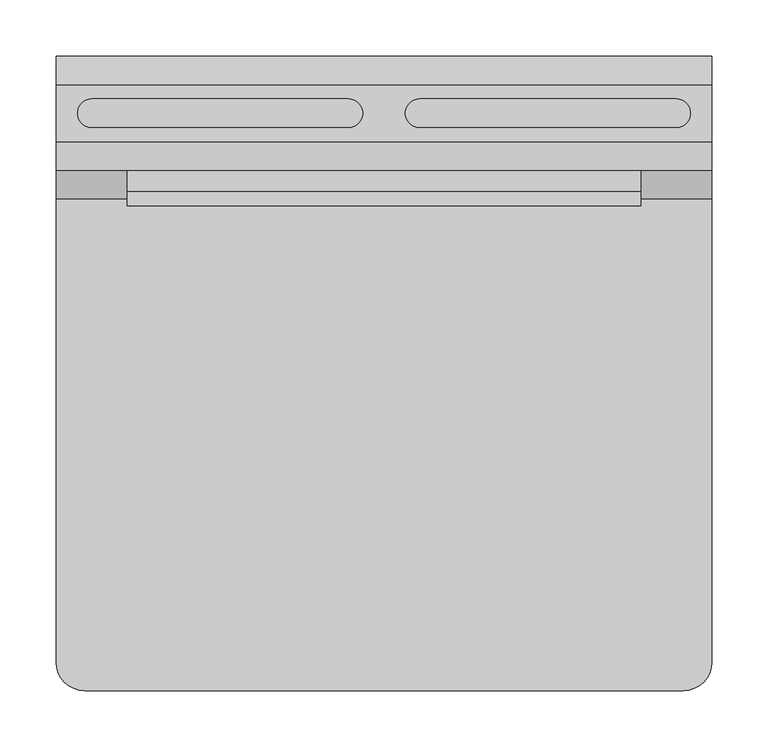
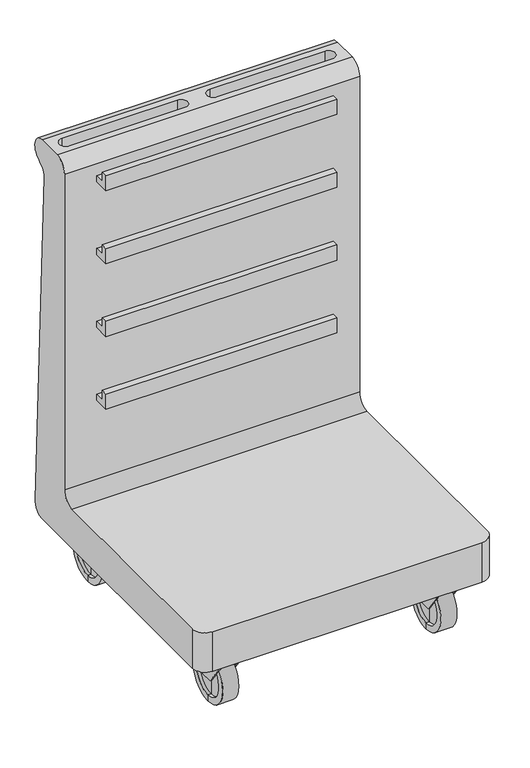
"""IFC4 building model written with IfcOpenShell, lengths in millimetres: furniture geometry."""

from ifc_helpers import new_model, si_unit, frame, origin, place, context, project, spatial, polyline, circle_curve, outline, extrude, faceted_brep, source, transform, mapped, element, save
from ifc_brep_helpers import plane_surface, cylinder_surface, revolved_surface, advanced_brep


def furniture_545f82d3(model_context):
    return source(origin(), model_context, "Body", "SolidModel", [
        advanced_brep(
        [(-231.775, 206.375, 0.0), (-231.775, 206.375, 101.6), (-200.025, 206.375, 101.6), (-200.025, 206.375, 0.0), (-231.775, 206.375, 12.7), (-231.775, 206.375, 88.9), (-225.425, 206.375, 12.7), (-225.425, 206.375, 88.9), (-225.425, 206.375, 50.8), (-206.375, 206.375, 12.7), (-206.375, 206.375, 88.9), (-206.375, 206.375, 50.8), (-200.025, 206.375, 12.7), (-200.025, 206.375, 88.9)],
        [
            (0, 1, circle_curve(frame((-231.775, 206.375, 50.8), z_axis=(1.0, 0.0, 0.0), x_axis=(0.0, 0.0, 1.0)), 50.8)),
            (1, 2),
            (2, 3, circle_curve(frame((-200.025, 206.375, 50.8), z_axis=(-1.0, 0.0, 0.0), x_axis=(0.0, 0.0, 1.0)), 50.8)),
            (3, 0),
            (1, 0, circle_curve(frame((-231.775, 206.375, 50.8), z_axis=(1.0, 0.0, 0.0), x_axis=(0.0, 0.0, 1.0)), 50.8)),
            (3, 2, circle_curve(frame((-200.025, 206.375, 50.8), z_axis=(-1.0, 0.0, 0.0), x_axis=(0.0, 0.0, 1.0)), 50.8)),
            (4, 5, circle_curve(frame((-231.775, 206.375, 50.8), z_axis=(1.0, 0.0, 0.0), x_axis=(0.0, 0.0, 1.0)), 38.1)),
            (5, 1),
            (0, 4),
            (5, 4, circle_curve(frame((-231.775, 206.375, 50.8), z_axis=(1.0, 0.0, 0.0), x_axis=(0.0, 0.0, 1.0)), 38.1)),
            (6, 7, circle_curve(frame((-225.425, 206.375, 50.8), z_axis=(1.0, 0.0, 0.0), x_axis=(0.0, 0.0, 1.0)), 38.1)),
            (7, 5),
            (4, 6),
            (7, 6, circle_curve(frame((-225.425, 206.375, 50.8), z_axis=(1.0, 0.0, 0.0), x_axis=(0.0, 0.0, 1.0)), 38.1)),
            (8, 7),
            (6, 8),
            (9, 10, circle_curve(frame((-206.375, 206.375, 50.8), z_axis=(1.0, 0.0, 0.0), x_axis=(0.0, 0.0, 1.0)), 38.1)),
            (10, 11),
            (11, 9),
            (10, 9, circle_curve(frame((-206.375, 206.375, 50.8), z_axis=(1.0, 0.0, 0.0), x_axis=(0.0, 0.0, 1.0)), 38.1)),
            (12, 13, circle_curve(frame((-200.025, 206.375, 50.8), z_axis=(1.0, 0.0, 0.0), x_axis=(0.0, 0.0, 1.0)), 38.1)),
            (13, 10),
            (9, 12),
            (13, 12, circle_curve(frame((-200.025, 206.375, 50.8), z_axis=(1.0, 0.0, 0.0), x_axis=(0.0, 0.0, 1.0)), 38.1)),
            (2, 13),
            (12, 3),
        ],
        [
            cylinder_surface(frame((-234.95, 206.375, 50.8), z_axis=(-1.0, 0.0, 0.0), x_axis=(0.0, 0.0, 1.0)), 50.8),
            plane_surface(frame((-231.775, 206.375, 50.8), z_axis=(-1.0, 0.0, 0.0), x_axis=(0.0, 0.0, 1.0))),
            revolved_surface(polyline([(-231.775, 206.375, 88.9), (-225.425, 206.375, 88.9)]), (-234.95, 206.375, 50.8), (-1.0, 0.0, 0.0)),
            plane_surface(frame((-225.425, 206.375, 50.8), z_axis=(-1.0, 0.0, 0.0), x_axis=(0.0, 0.0, 1.0))),
            plane_surface(frame((-206.375, 206.375, 50.8), z_axis=(1.0, 0.0, 0.0), x_axis=(0.0, 0.0, 1.0))),
            revolved_surface(polyline([(-206.375, 206.375, 88.9), (-200.025, 206.375, 88.9)]), (-234.95, 206.375, 50.8), (-1.0, 0.0, 0.0)),
            plane_surface(frame((-200.025, 206.375, 50.8), z_axis=(1.0, 0.0, 0.0), x_axis=(0.0, 0.0, 1.0))),
        ],
        [
            (0, [[1, 2, 3, 4]]),
            (0, [[5, -4, 6, -2]]),
            (1, [[7, 8, -1, 9]]),
            (1, [[10, -9, -5, -8]]),
            (2, [[11, 12, -7, 13]]),
            (2, [[14, -13, -10, -12]]),
            (3, [[15, -11, 16]]),
            (3, [[-16, -14, -15]]),
            (4, [[17, 18, 19]]),
            (4, [[20, -19, -18]]),
            (5, [[21, 22, -17, 23]]),
            (5, [[24, -23, -20, -22]]),
            (6, [[-3, 25, -21, 26]]),
            (6, [[-6, -26, -24, -25]]),
        ],
    ),
        faceted_brep([(-196.85, 219.075, 120.65), (-196.85, 219.075, 50.8), (-200.025, 219.075, 50.8), (-200.025, 219.075, 117.475), (-231.775, 219.075, 117.475), (-231.775, 219.075, 50.8), (-234.95, 219.075, 50.8), (-234.95, 219.075, 120.65), (-234.95, 142.875, 120.65), (-196.85, 142.875, 120.65), (-234.95, 193.675, 50.8), (-231.775, 193.675, 50.8), (-231.775, 145.1840909, 117.475), (-200.025, 145.1840909, 117.475), (-200.025, 193.675, 50.8), (-196.85, 193.675, 50.8)], [[[0, 1, 2, 3, 4, 5, 6, 7]], [[0, 7, 8, 9]], [[7, 6, 10, 8]], [[6, 5, 11, 10]], [[5, 4, 12, 11]], [[4, 3, 13, 12]], [[3, 2, 14, 13]], [[2, 1, 15, 14]], [[1, 0, 9, 15]], [[9, 8, 10, 11, 12, 13, 14, 15]]]),
        advanced_brep(
        [(200.025, 206.375, 0.0), (200.025, 206.375, 101.6), (231.775, 206.375, 101.6), (231.775, 206.375, 0.0), (200.025, 206.375, 12.7), (200.025, 206.375, 88.9), (206.375, 206.375, 12.7), (206.375, 206.375, 88.9), (206.375, 206.375, 50.8), (225.425, 206.375, 12.7), (225.425, 206.375, 88.9), (225.425, 206.375, 50.8), (231.775, 206.375, 12.7), (231.775, 206.375, 88.9)],
        [
            (0, 1, circle_curve(frame((200.025, 206.375, 50.8), z_axis=(1.0, 0.0, 0.0), x_axis=(0.0, 0.0, 1.0)), 50.8)),
            (1, 2),
            (2, 3, circle_curve(frame((231.775, 206.375, 50.8), z_axis=(-1.0, 0.0, 0.0), x_axis=(0.0, 0.0, 1.0)), 50.8)),
            (3, 0),
            (1, 0, circle_curve(frame((200.025, 206.375, 50.8), z_axis=(1.0, 0.0, 0.0), x_axis=(0.0, 0.0, 1.0)), 50.8)),
            (3, 2, circle_curve(frame((231.775, 206.375, 50.8), z_axis=(-1.0, 0.0, 0.0), x_axis=(0.0, 0.0, 1.0)), 50.8)),
            (4, 5, circle_curve(frame((200.025, 206.375, 50.8), z_axis=(1.0, 0.0, 0.0), x_axis=(0.0, 0.0, 1.0)), 38.1)),
            (5, 1),
            (0, 4),
            (5, 4, circle_curve(frame((200.025, 206.375, 50.8), z_axis=(1.0, 0.0, 0.0), x_axis=(0.0, 0.0, 1.0)), 38.1)),
            (6, 7, circle_curve(frame((206.375, 206.375, 50.8), z_axis=(1.0, 0.0, 0.0), x_axis=(0.0, 0.0, 1.0)), 38.1)),
            (7, 5),
            (4, 6),
            (7, 6, circle_curve(frame((206.375, 206.375, 50.8), z_axis=(1.0, 0.0, 0.0), x_axis=(0.0, 0.0, 1.0)), 38.1)),
            (8, 7),
            (6, 8),
            (9, 10, circle_curve(frame((225.425, 206.375, 50.8), z_axis=(1.0, 0.0, 0.0), x_axis=(0.0, 0.0, 1.0)), 38.1)),
            (10, 11),
            (11, 9),
            (10, 9, circle_curve(frame((225.425, 206.375, 50.8), z_axis=(1.0, 0.0, 0.0), x_axis=(0.0, 0.0, 1.0)), 38.1)),
            (12, 13, circle_curve(frame((231.775, 206.375, 50.8), z_axis=(1.0, 0.0, 0.0), x_axis=(0.0, 0.0, 1.0)), 38.1)),
            (13, 10),
            (9, 12),
            (13, 12, circle_curve(frame((231.775, 206.375, 50.8), z_axis=(1.0, 0.0, 0.0), x_axis=(0.0, 0.0, 1.0)), 38.1)),
            (2, 13),
            (12, 3),
        ],
        [
            cylinder_surface(frame((196.85, 206.375, 50.8), z_axis=(-1.0, 0.0, 0.0), x_axis=(0.0, 0.0, 1.0)), 50.8),
            plane_surface(frame((200.025, 206.375, 50.8), z_axis=(-1.0, 0.0, 0.0), x_axis=(0.0, 0.0, 1.0))),
            revolved_surface(polyline([(200.025, 206.375, 88.9), (206.375, 206.375, 88.9)]), (196.85, 206.375, 50.8), (-1.0, 0.0, 0.0)),
            plane_surface(frame((206.375, 206.375, 50.8), z_axis=(-1.0, 0.0, 0.0), x_axis=(0.0, 0.0, 1.0))),
            plane_surface(frame((225.425, 206.375, 50.8), z_axis=(1.0, 0.0, 0.0), x_axis=(0.0, 0.0, 1.0))),
            revolved_surface(polyline([(225.425, 206.375, 88.9), (231.775, 206.375, 88.9)]), (196.85, 206.375, 50.8), (-1.0, 0.0, 0.0)),
            plane_surface(frame((231.775, 206.375, 50.8), z_axis=(1.0, 0.0, 0.0), x_axis=(0.0, 0.0, 1.0))),
        ],
        [
            (0, [[1, 2, 3, 4]]),
            (0, [[5, -4, 6, -2]]),
            (1, [[7, 8, -1, 9]]),
            (1, [[10, -9, -5, -8]]),
            (2, [[11, 12, -7, 13]]),
            (2, [[14, -13, -10, -12]]),
            (3, [[15, -11, 16]]),
            (3, [[-16, -14, -15]]),
            (4, [[17, 18, 19]]),
            (4, [[20, -19, -18]]),
            (5, [[21, 22, -17, 23]]),
            (5, [[24, -23, -20, -22]]),
            (6, [[-3, 25, -21, 26]]),
            (6, [[-6, -26, -24, -25]]),
        ],
    ),
        faceted_brep([(234.95, 219.075, 120.65), (234.95, 219.075, 50.8), (231.775, 219.075, 50.8), (231.775, 219.075, 117.475), (200.025, 219.075, 117.475), (200.025, 219.075, 50.8), (196.85, 219.075, 50.8), (196.85, 219.075, 120.65), (196.85, 142.875, 120.65), (234.95, 142.875, 120.65), (196.85, 193.675, 50.8), (200.025, 193.675, 50.8), (200.025, 145.1840909, 117.475), (231.775, 145.1840909, 117.475), (231.775, 193.675, 50.8), (234.95, 193.675, 50.8)], [[[0, 1, 2, 3, 4, 5, 6, 7]], [[0, 7, 8, 9]], [[7, 6, 10, 8]], [[6, 5, 11, 10]], [[5, 4, 12, 11]], [[4, 3, 13, 12]], [[3, 2, 14, 13]], [[2, 1, 15, 14]], [[1, 0, 9, 15]], [[9, 8, 10, 11, 12, 13, 14, 15]]]),
        advanced_brep(
        [(200.025, -206.375, 0.0), (200.025, -206.375, 101.6), (231.775, -206.375, 101.6), (231.775, -206.375, 0.0), (200.025, -206.375, 12.7), (200.025, -206.375, 88.9), (206.375, -206.375, 12.7), (206.375, -206.375, 88.9), (206.375, -206.375, 50.8), (225.425, -206.375, 12.7), (225.425, -206.375, 88.9), (225.425, -206.375, 50.8), (231.775, -206.375, 12.7), (231.775, -206.375, 88.9)],
        [
            (0, 1, circle_curve(frame((200.025, -206.375, 50.8), z_axis=(1.0, 0.0, 0.0), x_axis=(0.0, 0.0, 1.0)), 50.8)),
            (1, 2),
            (2, 3, circle_curve(frame((231.775, -206.375, 50.8), z_axis=(-1.0, 0.0, 0.0), x_axis=(0.0, 0.0, 1.0)), 50.8)),
            (3, 0),
            (1, 0, circle_curve(frame((200.025, -206.375, 50.8), z_axis=(1.0, 0.0, 0.0), x_axis=(0.0, 0.0, 1.0)), 50.8)),
            (3, 2, circle_curve(frame((231.775, -206.375, 50.8), z_axis=(-1.0, 0.0, 0.0), x_axis=(0.0, 0.0, 1.0)), 50.8)),
            (4, 5, circle_curve(frame((200.025, -206.375, 50.8), z_axis=(1.0, 0.0, 0.0), x_axis=(0.0, 0.0, 1.0)), 38.1)),
            (5, 1),
            (0, 4),
            (5, 4, circle_curve(frame((200.025, -206.375, 50.8), z_axis=(1.0, 0.0, 0.0), x_axis=(0.0, 0.0, 1.0)), 38.1)),
            (6, 7, circle_curve(frame((206.375, -206.375, 50.8), z_axis=(1.0, 0.0, 0.0), x_axis=(0.0, 0.0, 1.0)), 38.1)),
            (7, 5),
            (4, 6),
            (7, 6, circle_curve(frame((206.375, -206.375, 50.8), z_axis=(1.0, 0.0, 0.0), x_axis=(0.0, 0.0, 1.0)), 38.1)),
            (8, 7),
            (6, 8),
            (9, 10, circle_curve(frame((225.425, -206.375, 50.8), z_axis=(1.0, 0.0, 0.0), x_axis=(0.0, 0.0, 1.0)), 38.1)),
            (10, 11),
            (11, 9),
            (10, 9, circle_curve(frame((225.425, -206.375, 50.8), z_axis=(1.0, 0.0, 0.0), x_axis=(0.0, 0.0, 1.0)), 38.1)),
            (12, 13, circle_curve(frame((231.775, -206.375, 50.8), z_axis=(1.0, 0.0, 0.0), x_axis=(0.0, 0.0, 1.0)), 38.1)),
            (13, 10),
            (9, 12),
            (13, 12, circle_curve(frame((231.775, -206.375, 50.8), z_axis=(1.0, 0.0, 0.0), x_axis=(0.0, 0.0, 1.0)), 38.1)),
            (2, 13),
            (12, 3),
        ],
        [
            cylinder_surface(frame((196.85, -206.375, 50.8), z_axis=(-1.0, 0.0, 0.0), x_axis=(0.0, 0.0, 1.0)), 50.8),
            plane_surface(frame((200.025, -206.375, 50.8), z_axis=(-1.0, 0.0, 0.0), x_axis=(0.0, 0.0, 1.0))),
            revolved_surface(polyline([(200.025, -206.375, 88.9), (206.375, -206.375, 88.9)]), (196.85, -206.375, 50.8), (-1.0, 0.0, 0.0)),
            plane_surface(frame((206.375, -206.375, 50.8), z_axis=(-1.0, 0.0, 0.0), x_axis=(0.0, 0.0, 1.0))),
            plane_surface(frame((225.425, -206.375, 50.8), z_axis=(1.0, 0.0, 0.0), x_axis=(0.0, 0.0, 1.0))),
            revolved_surface(polyline([(225.425, -206.375, 88.9), (231.775, -206.375, 88.9)]), (196.85, -206.375, 50.8), (-1.0, 0.0, 0.0)),
            plane_surface(frame((231.775, -206.375, 50.8), z_axis=(1.0, 0.0, 0.0), x_axis=(0.0, 0.0, 1.0))),
        ],
        [
            (0, [[1, 2, 3, 4]]),
            (0, [[5, -4, 6, -2]]),
            (1, [[7, 8, -1, 9]]),
            (1, [[10, -9, -5, -8]]),
            (2, [[11, 12, -7, 13]]),
            (2, [[14, -13, -10, -12]]),
            (3, [[15, -11, 16]]),
            (3, [[-16, -14, -15]]),
            (4, [[17, 18, 19]]),
            (4, [[20, -19, -18]]),
            (5, [[21, 22, -17, 23]]),
            (5, [[24, -23, -20, -22]]),
            (6, [[-3, 25, -21, 26]]),
            (6, [[-6, -26, -24, -25]]),
        ],
    ),
        faceted_brep([(234.95, -193.675, 120.65), (234.95, -193.675, 50.8), (231.775, -193.675, 50.8), (231.775, -193.675, 117.475), (200.025, -193.675, 117.475), (200.025, -193.675, 50.8), (196.85, -193.675, 50.8), (196.85, -193.675, 120.65), (196.85, -269.875, 120.65), (234.95, -269.875, 120.65), (196.85, -219.075, 50.8), (200.025, -219.075, 50.8), (200.025, -267.5659091, 117.475), (231.775, -267.5659091, 117.475), (231.775, -219.075, 50.8), (234.95, -219.075, 50.8)], [[[0, 1, 2, 3, 4, 5, 6, 7]], [[0, 7, 8, 9]], [[7, 6, 10, 8]], [[6, 5, 11, 10]], [[5, 4, 12, 11]], [[4, 3, 13, 12]], [[3, 2, 14, 13]], [[2, 1, 15, 14]], [[1, 0, 9, 15]], [[9, 8, 10, 11, 12, 13, 14, 15]]]),
        advanced_brep(
        [(-231.775, -206.375, 0.0), (-231.775, -206.375, 101.6), (-200.025, -206.375, 101.6), (-200.025, -206.375, 0.0), (-231.775, -206.375, 12.7), (-231.775, -206.375, 88.9), (-225.425, -206.375, 12.7), (-225.425, -206.375, 88.9), (-225.425, -206.375, 50.8), (-206.375, -206.375, 12.7), (-206.375, -206.375, 88.9), (-206.375, -206.375, 50.8), (-200.025, -206.375, 12.7), (-200.025, -206.375, 88.9)],
        [
            (0, 1, circle_curve(frame((-231.775, -206.375, 50.8), z_axis=(1.0, 0.0, 0.0), x_axis=(0.0, 0.0, 1.0)), 50.8)),
            (1, 2),
            (2, 3, circle_curve(frame((-200.025, -206.375, 50.8), z_axis=(-1.0, 0.0, 0.0), x_axis=(0.0, 0.0, 1.0)), 50.8)),
            (3, 0),
            (1, 0, circle_curve(frame((-231.775, -206.375, 50.8), z_axis=(1.0, 0.0, 0.0), x_axis=(0.0, 0.0, 1.0)), 50.8)),
            (3, 2, circle_curve(frame((-200.025, -206.375, 50.8), z_axis=(-1.0, 0.0, 0.0), x_axis=(0.0, 0.0, 1.0)), 50.8)),
            (4, 5, circle_curve(frame((-231.775, -206.375, 50.8), z_axis=(1.0, 0.0, 0.0), x_axis=(0.0, 0.0, 1.0)), 38.1)),
            (5, 1),
            (0, 4),
            (5, 4, circle_curve(frame((-231.775, -206.375, 50.8), z_axis=(1.0, 0.0, 0.0), x_axis=(0.0, 0.0, 1.0)), 38.1)),
            (6, 7, circle_curve(frame((-225.425, -206.375, 50.8), z_axis=(1.0, 0.0, 0.0), x_axis=(0.0, 0.0, 1.0)), 38.1)),
            (7, 5),
            (4, 6),
            (7, 6, circle_curve(frame((-225.425, -206.375, 50.8), z_axis=(1.0, 0.0, 0.0), x_axis=(0.0, 0.0, 1.0)), 38.1)),
            (8, 7),
            (6, 8),
            (9, 10, circle_curve(frame((-206.375, -206.375, 50.8), z_axis=(1.0, 0.0, 0.0), x_axis=(0.0, 0.0, 1.0)), 38.1)),
            (10, 11),
            (11, 9),
            (10, 9, circle_curve(frame((-206.375, -206.375, 50.8), z_axis=(1.0, 0.0, 0.0), x_axis=(0.0, 0.0, 1.0)), 38.1)),
            (12, 13, circle_curve(frame((-200.025, -206.375, 50.8), z_axis=(1.0, 0.0, 0.0), x_axis=(0.0, 0.0, 1.0)), 38.1)),
            (13, 10),
            (9, 12),
            (13, 12, circle_curve(frame((-200.025, -206.375, 50.8), z_axis=(1.0, 0.0, 0.0), x_axis=(0.0, 0.0, 1.0)), 38.1)),
            (2, 13),
            (12, 3),
        ],
        [
            cylinder_surface(frame((-234.95, -206.375, 50.8), z_axis=(-1.0, 0.0, 0.0), x_axis=(0.0, 0.0, 1.0)), 50.8),
            plane_surface(frame((-231.775, -206.375, 50.8), z_axis=(-1.0, 0.0, 0.0), x_axis=(0.0, 0.0, 1.0))),
            revolved_surface(polyline([(-231.775, -206.375, 88.9), (-225.425, -206.375, 88.9)]), (-234.95, -206.375, 50.8), (-1.0, 0.0, 0.0)),
            plane_surface(frame((-225.425, -206.375, 50.8), z_axis=(-1.0, 0.0, 0.0), x_axis=(0.0, 0.0, 1.0))),
            plane_surface(frame((-206.375, -206.375, 50.8), z_axis=(1.0, 0.0, 0.0), x_axis=(0.0, 0.0, 1.0))),
            revolved_surface(polyline([(-206.375, -206.375, 88.9), (-200.025, -206.375, 88.9)]), (-234.95, -206.375, 50.8), (-1.0, 0.0, 0.0)),
            plane_surface(frame((-200.025, -206.375, 50.8), z_axis=(1.0, 0.0, 0.0), x_axis=(0.0, 0.0, 1.0))),
        ],
        [
            (0, [[1, 2, 3, 4]]),
            (0, [[5, -4, 6, -2]]),
            (1, [[7, 8, -1, 9]]),
            (1, [[10, -9, -5, -8]]),
            (2, [[11, 12, -7, 13]]),
            (2, [[14, -13, -10, -12]]),
            (3, [[15, -11, 16]]),
            (3, [[-16, -14, -15]]),
            (4, [[17, 18, 19]]),
            (4, [[20, -19, -18]]),
            (5, [[21, 22, -17, 23]]),
            (5, [[24, -23, -20, -22]]),
            (6, [[-3, 25, -21, 26]]),
            (6, [[-6, -26, -24, -25]]),
        ],
    ),
        faceted_brep([(-196.85, -193.675, 120.65), (-196.85, -193.675, 50.8), (-200.025, -193.675, 50.8), (-200.025, -193.675, 117.475), (-231.775, -193.675, 117.475), (-231.775, -193.675, 50.8), (-234.95, -193.675, 50.8), (-234.95, -193.675, 120.65), (-234.95, -269.875, 120.65), (-196.85, -269.875, 120.65), (-234.95, -219.075, 50.8), (-231.775, -219.075, 50.8), (-231.775, -267.5659091, 117.475), (-200.025, -267.5659091, 117.475), (-200.025, -219.075, 50.8), (-196.85, -219.075, 50.8)], [[[0, 1, 2, 3, 4, 5, 6, 7]], [[0, 7, 8, 9]], [[7, 6, 10, 8]], [[6, 5, 11, 10]], [[5, 4, 12, 11]], [[4, 3, 13, 12]], [[3, 2, 14, 13]], [[2, 1, 15, 14]], [[1, 0, 9, 15]], [[9, 8, 10, 11, 12, 13, 14, 15]]]),
        extrude(outline(polyline([(149.225, 850.9), (149.225, 882.65), (161.925, 882.65), (161.925, 863.6), (180.975, 863.6), (180.975, 850.9), (149.225, 850.9)])), frame((-228.6, 0.0, 0.0), z_axis=(1.0, 0.0, 0.0), x_axis=(0.0, 1.0, 0.0)), (0.0, 0.0, 1.0), 457.2),
        extrude(outline(polyline([(149.225, 698.5), (149.225, 730.25), (161.925, 730.25), (161.925, 711.2), (180.975, 711.2), (180.975, 698.5), (149.225, 698.5)])), frame((-228.6, 0.0, 0.0), z_axis=(1.0, 0.0, 0.0), x_axis=(0.0, 1.0, 0.0)), (0.0, 0.0, 1.0), 457.2),
        extrude(outline(polyline([(149.225, 546.1), (149.225, 577.85), (161.925, 577.85), (161.925, 558.8), (180.975, 558.8), (180.975, 546.1), (149.225, 546.1)])), frame((-228.6, 0.0, 0.0), z_axis=(1.0, 0.0, 0.0), x_axis=(0.0, 1.0, 0.0)), (0.0, 0.0, 1.0), 457.2),
        extrude(outline(polyline([(149.225, 393.7), (149.225, 425.45), (161.925, 425.45), (161.925, 406.4), (180.975, 406.4), (180.975, 393.7), (149.225, 393.7)])), frame((-228.6, 0.0, 0.0), z_axis=(1.0, 0.0, 0.0), x_axis=(0.0, 1.0, 0.0)), (0.0, 0.0, 1.0), 457.2),
        advanced_brep(
        [(292.1, 256.0314229, 120.65), (292.1, 281.4068124, 147.1678586), (292.1, 250.9183499, 839.2559565), (292.1, 261.7277959, 861.1823059), (292.1, 271.7409435, 868.1915092), (292.1, 257.175, 914.4), (292.1, 206.375, 914.4), (292.1, 180.975, 889.0), (292.1, 180.975, 228.6), (292.1, 155.575, 203.2), (292.1, -257.175, 203.2), (292.1, -257.175, 120.65), (-292.1, 155.575, 203.2), (-292.1, 180.975, 228.6), (-292.1, 180.975, 889.0), (-292.1, 206.375, 914.4), (-292.1, 257.175, 914.4), (-292.1, 271.7409435, 868.1915092), (-292.1, 261.7277959, 861.1823059), (-292.1, 250.9183499, 839.2559565), (-292.1, 281.4068124, 147.1678586), (-292.1, 256.0314229, 120.65), (-292.1, -257.175, 120.65), (-292.1, -257.175, 203.2), (-260.35, 244.475, 914.4), (-31.75, 244.475, 914.4), (-31.75, 219.075, 914.4), (-260.35, 219.075, 914.4), (31.75, 219.075, 914.4), (31.75, 244.475, 914.4), (260.35, 244.475, 914.4), (260.35, 219.075, 914.4), (-266.7, -282.575, 203.2), (266.7, -282.575, 203.2), (-266.7, -282.575, 120.65), (266.7, -282.575, 120.65), (-31.75, 244.475, 876.3), (-260.35, 244.475, 876.3), (-260.35, 219.075, 876.3), (-31.75, 219.075, 876.3), (31.75, 244.475, 876.3), (31.75, 219.075, 876.3), (260.35, 219.075, 876.3), (260.35, 244.475, 876.3)],
        [
            (0, 1, circle_curve(frame((292.1, 256.0314229, 146.05), z_axis=(1.0, 0.0, 0.0), x_axis=(0.0, 1.0, 0.0)), 25.4)),
            (1, 2),
            (2, 3, circle_curve(frame((292.1, 276.2937394, 840.3738151), z_axis=(-1.0, 0.0, 0.0), x_axis=(0.0, 1.0, 0.0)), 25.4)),
            (3, 4),
            (4, 5, circle_curve(frame((292.1, 257.175, 889.0), z_axis=(1.0, 0.0, 0.0), x_axis=(0.0, 1.0, 0.0)), 25.4)),
            (5, 6),
            (6, 7, circle_curve(frame((292.1, 206.375, 889.0), z_axis=(1.0, 0.0, 0.0), x_axis=(0.0, 1.0, 0.0)), 25.4)),
            (7, 8),
            (8, 9, circle_curve(frame((292.1, 155.575, 228.6), z_axis=(-1.0, 0.0, 0.0), x_axis=(0.0, 1.0, 0.0)), 25.4)),
            (9, 10),
            (10, 11),
            (11, 0),
            (12, 13, circle_curve(frame((-292.1, 155.575, 228.6), z_axis=(1.0, 0.0, 0.0), x_axis=(0.0, 1.0, 0.0)), 25.4)),
            (13, 14),
            (14, 15, circle_curve(frame((-292.1, 206.375, 889.0), z_axis=(-1.0, 0.0, 0.0), x_axis=(0.0, 1.0, 0.0)), 25.4)),
            (15, 16),
            (16, 17, circle_curve(frame((-292.1, 257.175, 889.0), z_axis=(-1.0, 0.0, 0.0), x_axis=(0.0, 1.0, 0.0)), 25.4)),
            (17, 18),
            (18, 19, circle_curve(frame((-292.1, 276.2937394, 840.3738151), z_axis=(1.0, 0.0, 0.0), x_axis=(0.0, 1.0, 0.0)), 25.4)),
            (19, 20),
            (20, 21, circle_curve(frame((-292.1, 256.0314229, 146.05), z_axis=(-1.0, 0.0, 0.0), x_axis=(0.0, 1.0, 0.0)), 25.4)),
            (21, 22),
            (22, 23),
            (23, 12),
            (0, 21),
            (20, 1),
            (19, 2),
            (18, 3),
            (17, 4),
            (16, 5),
            (15, 6),
            (24, 25),
            (25, 26, circle_curve(frame((-31.75, 231.775, 914.4), z_axis=(0.0, 0.0, -1.0), x_axis=(1.0, 0.0, 0.0)), 12.7)),
            (26, 27),
            (27, 24, circle_curve(frame((-260.35, 231.775, 914.4), z_axis=(0.0, 0.0, -1.0), x_axis=(1.0, 0.0, 0.0)), 12.7)),
            (28, 29, circle_curve(frame((31.75, 231.775, 914.4), z_axis=(0.0, 0.0, -1.0), x_axis=(1.0, 0.0, 0.0)), 12.7)),
            (29, 30),
            (30, 31, circle_curve(frame((260.35, 231.775, 914.4), z_axis=(0.0, 0.0, -1.0), x_axis=(1.0, 0.0, 0.0)), 12.7)),
            (31, 28),
            (14, 7),
            (13, 8),
            (12, 9),
            (23, 32, circle_curve(frame((-266.7, -257.175, 203.2), z_axis=(0.0, 0.0, 1.0), x_axis=(1.0, 0.0, 0.0)), 25.4)),
            (32, 33),
            (33, 10, circle_curve(frame((266.7, -257.175, 203.2), z_axis=(0.0, 0.0, 1.0), x_axis=(1.0, 0.0, 0.0)), 25.4)),
            (32, 34),
            (34, 35),
            (35, 33),
            (11, 35, circle_curve(frame((266.7, -257.175, 120.65), z_axis=(0.0, 0.0, -1.0), x_axis=(1.0, 0.0, 0.0)), 25.4)),
            (34, 22, circle_curve(frame((-266.7, -257.175, 120.65), z_axis=(0.0, 0.0, -1.0), x_axis=(1.0, 0.0, 0.0)), 25.4)),
            (36, 37),
            (37, 38, circle_curve(frame((-260.35, 231.775, 876.3), z_axis=(0.0, 0.0, 1.0), x_axis=(1.0, 0.0, 0.0)), 12.7)),
            (38, 39),
            (39, 36, circle_curve(frame((-31.75, 231.775, 876.3), z_axis=(0.0, 0.0, 1.0), x_axis=(1.0, 0.0, 0.0)), 12.7)),
            (40, 41, circle_curve(frame((31.75, 231.775, 876.3), z_axis=(0.0, 0.0, 1.0), x_axis=(1.0, 0.0, 0.0)), 12.7)),
            (41, 42),
            (42, 43, circle_curve(frame((260.35, 231.775, 876.3), z_axis=(0.0, 0.0, 1.0), x_axis=(1.0, 0.0, 0.0)), 12.7)),
            (43, 40),
            (36, 25),
            (24, 37),
            (27, 38),
            (26, 39),
            (40, 29),
            (28, 41),
            (31, 42),
            (30, 43),
        ],
        [
            plane_surface(frame((292.1, 281.4314229, 146.05), z_axis=(1.0, 0.0, 0.0), x_axis=(0.0, 0.0, 1.0))),
            plane_surface(frame((-292.1, 281.4314229, 146.05), z_axis=(-1.0, 0.0, 0.0), x_axis=(0.0, 0.0, -1.0))),
            cylinder_surface(frame((-292.1, 256.0314229, 146.05), z_axis=(1.0, 0.0, 0.0), x_axis=(0.0, 1.0, 0.0)), 25.4),
            plane_surface(frame((292.1, 281.4068124, 147.1678586), z_axis=(0.0, 0.9990310826342784, 0.0440101798517304), x_axis=(-1.0, 0.0, 0.0))),
            revolved_surface(polyline([(-292.1, 301.69373939999997, 840.3738151), (292.1, 301.69373939999997, 840.3738151)]), (-292.1, 276.2937394, 840.3738151), (-1.0, 0.0, 0.0)),
            plane_surface(frame((292.1, 261.7277959, 861.1823059), z_axis=(0.0, 0.5734623443633269, -0.8192319205190415), x_axis=(-1.0, 0.0, 0.0))),
            cylinder_surface(frame((-292.1, 257.175, 889.0), z_axis=(1.0, 0.0, 0.0), x_axis=(0.0, 1.0, 0.0)), 25.4),
            plane_surface(frame((292.1, 257.175, 914.4), z_axis=(0.0, 0.0, 1.0), x_axis=(-1.0, 0.0, 0.0))),
            cylinder_surface(frame((-292.1, 206.375, 889.0), z_axis=(1.0, 0.0, 0.0), x_axis=(0.0, 1.0, 0.0)), 25.4),
            plane_surface(frame((292.1, 180.975, 889.0), z_axis=(0.0, -1.0, 0.0), x_axis=(-1.0, 0.0, 0.0))),
            revolved_surface(polyline([(-292.1, 180.975, 228.6), (292.1, 180.975, 228.6)]), (-292.1, 155.575, 228.6), (-1.0, 0.0, 0.0)),
            plane_surface(frame((292.1, 155.575, 203.2), z_axis=(0.0, 0.0, 1.0), x_axis=(-1.0, 0.0, 0.0))),
            plane_surface(frame((292.1, -282.575, 203.2), z_axis=(0.0, -1.0, 0.0), x_axis=(-1.0, 0.0, 0.0))),
            plane_surface(frame((292.1, -282.575, 120.65), z_axis=(0.0, 0.0, -1.0), x_axis=(-1.0, 0.0, 0.0))),
            cylinder_surface(frame((-266.7, -257.175, 120.65), z_axis=(0.0, 0.0, -1.0), x_axis=(1.0, 0.0, 0.0)), 25.4),
            cylinder_surface(frame((266.7, -257.175, 0.0), z_axis=(0.0, 0.0, -1.0), x_axis=(1.0, 0.0, 0.0)), 25.4),
            plane_surface(frame((-273.05, 244.475, 876.3), z_axis=(0.0, 0.0, 1.0), x_axis=(1.0, 0.0, 0.0))),
            plane_surface(frame((-31.75, 244.475, 914.4), z_axis=(0.0, -1.0, 0.0), x_axis=(0.0, 0.0, -1.0))),
            revolved_surface(polyline([(-247.65000000000003, 231.775, 914.4), (-247.65000000000003, 231.775, 876.3)]), (-260.35, 231.775, 876.3), (0.0, 0.0, 1.0)),
            plane_surface(frame((-260.35, 219.075, 914.4), z_axis=(0.0, 1.0, 0.0), x_axis=(0.0, 0.0, -1.0))),
            revolved_surface(polyline([(-19.05, 231.775, 914.4), (-19.05, 231.775, 876.3)]), (-31.75, 231.775, 876.3), (0.0, 0.0, 1.0)),
            revolved_surface(polyline([(44.45, 231.775, 914.4), (44.45, 231.775, 876.3)]), (31.75, 231.775, 0.0), (0.0, 0.0, 1.0)),
            plane_surface(frame((31.75, 219.075, 914.4), z_axis=(0.0, 1.0, 0.0), x_axis=(0.0, 0.0, -1.0))),
            revolved_surface(polyline([(273.05, 231.775, 914.4), (273.05, 231.775, 876.3)]), (260.35, 231.775, 0.0), (0.0, 0.0, 1.0)),
            plane_surface(frame((260.35, 244.475, 914.4), z_axis=(0.0, -1.0, 0.0), x_axis=(0.0, 0.0, -1.0))),
        ],
        [
            (0, [[1, 2, 3, 4, 5, 6, 7, 8, 9, 10, 11, 12]]),
            (1, [[13, 14, 15, 16, 17, 18, 19, 20, 21, 22, 23, 24]]),
            (2, [[-1, 25, -21, 26]]),
            (3, [[-2, -26, -20, 27]]),
            (4, [[-3, -27, -19, 28]]),
            (5, [[-4, -28, -18, 29]]),
            (6, [[-5, -29, -17, 30]]),
            (7, [[-6, -30, -16, 31], [32, 33, 34, 35], [36, 37, 38, 39]]),
            (8, [[-7, -31, -15, 40]]),
            (9, [[-8, -40, -14, 41]]),
            (10, [[-9, -41, -13, 42]]),
            (11, [[-42, -24, 43, 44, 45, -10]]),
            (12, [[-44, 46, 47, 48]]),
            (13, [[-25, -12, 49, -47, 50, -22]]),
            (14, [[-23, -50, -46, -43]]),
            (15, [[-11, -45, -48, -49]]),
            (16, [[51, 52, 53, 54]]),
            (16, [[55, 56, 57, 58]]),
            (17, [[-51, 59, -32, 60]]),
            (18, [[-52, -60, -35, 61]]),
            (19, [[-53, -61, -34, 62]]),
            (20, [[-54, -62, -33, -59]]),
            (21, [[-55, 63, -36, 64]]),
            (22, [[-56, -64, -39, 65]]),
            (23, [[-57, -65, -38, 66]]),
            (24, [[-58, -66, -37, -63]]),
        ],
    ),
    ])


if __name__ == "__main__":
    model = new_model("IFC4")
    model_context = context("Model", 3, world=origin())
    ifc_project = project(units=[si_unit("LENGTHUNIT", "METRE", prefix="MILLI")], contexts=[model_context])
    site = spatial("IfcSite", under=ifc_project)
    building = spatial("IfcBuilding", under=site)
    placement = place(None, origin())
    furniture_shape = furniture_545f82d3(model_context)
    element("IfcFurniture", 1, at=placement, inside=building, context=model_context, shape_type="MappedRepresentation", body=[
        mapped(furniture_shape, transform((0.0, 0.0, 0.0), x_axis=(1.0, 0.0, 0.0), y_axis=(0.0, 1.0, 0.0), z_axis=(0.0, 0.0, 1.0))),
    ])
    save(model, "model.ifc")
